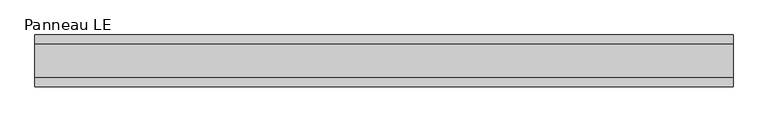
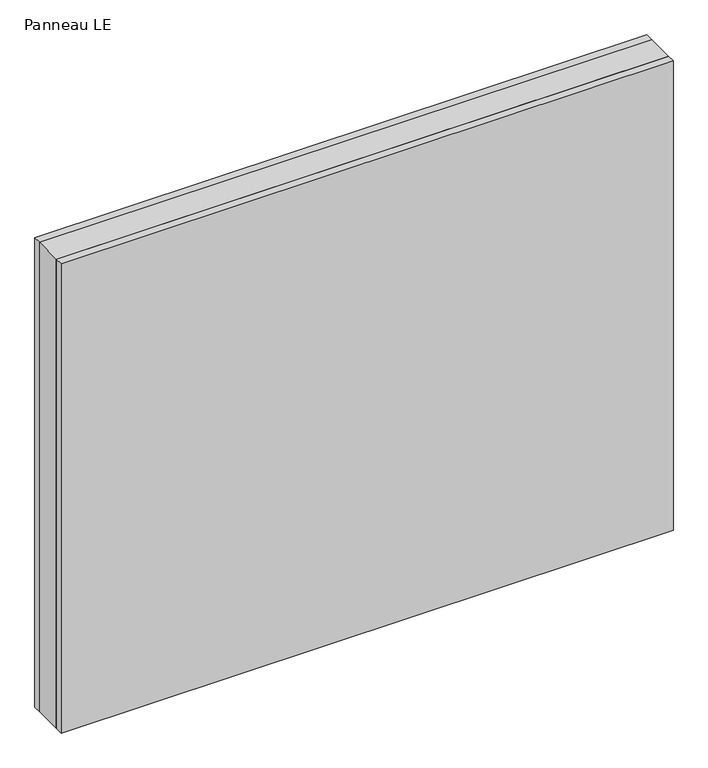
"""IFC4 building model written with IfcOpenShell, lengths in millimetres: plate geometry, Panneau LE."""

from ifc_helpers import new_model, si_unit, origin, origin_with_axes, place, context, project, spatial, polyline, outline, extrude, source, transform, mapped, element, save


def panneau_le_a4e59875(model_context):
    return source(origin(), model_context, "Body", "SweptSolid", [
        extrude(outline(polyline([(607.0000001, 29.0), (607.0000001, -29.0), (-607.0000001, -29.0), (-607.0000001, 29.0), (607.0000001, 29.0)])), origin_with_axes(), (0.0, 0.0, 1.0), 983.5),
        extrude(outline(polyline([(607.0000001, 45.0), (607.0000001, 29.0), (-607.0000001, 29.0), (-607.0000001, 45.0), (607.0000001, 45.0)])), origin_with_axes(), (0.0, 0.0, 1.0), 983.5),
        extrude(outline(polyline([(-607.0000001, -45.0), (-607.0000001, -29.0), (607.0000001, -29.0), (607.0000001, -45.0), (-607.0000001, -45.0)])), origin_with_axes(), (0.0, 0.0, 1.0), 983.5),
    ])


if __name__ == "__main__":
    model = new_model("IFC4")
    model_context = context("Model", 3, world=origin())
    ifc_project = project(units=[si_unit("LENGTHUNIT", "METRE", prefix="MILLI")], contexts=[model_context])
    site = spatial("IfcSite", under=ifc_project)
    building = spatial("IfcBuilding", under=site)
    placement = place(None, origin())
    panneau_le_shape = panneau_le_a4e59875(model_context)
    element("IfcPlate", 1, ObjectType="Panneau LE", at=placement, inside=building, context=model_context, shape_type="MappedRepresentation", body=[
        mapped(panneau_le_shape, transform((0.0, 0.0, 0.0), x_axis=(1.0, 0.0, 0.0), y_axis=(0.0, 1.0, 0.0), z_axis=(0.0, 0.0, 1.0))),
    ])
    save(model, "model.ifc")
